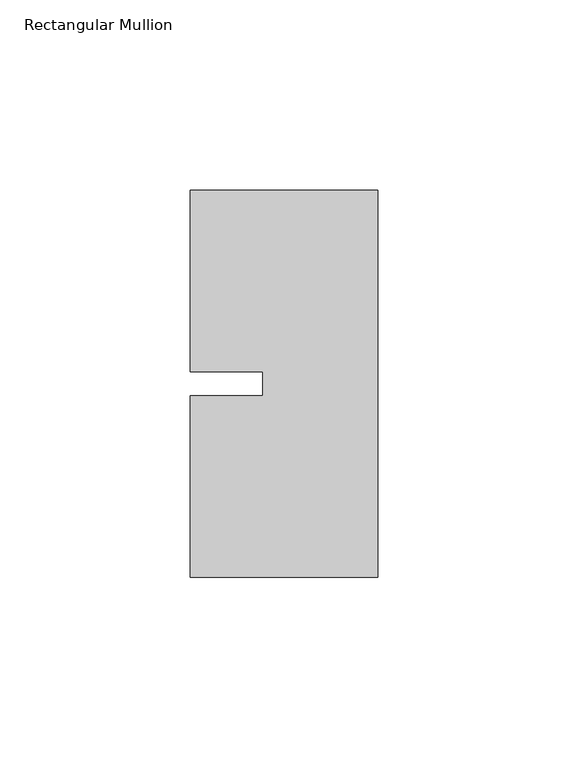
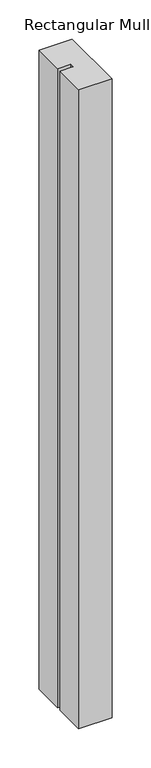
"""IFC4 building model written with IfcOpenShell, lengths in millimetres: member geometry, Rectangular Mullion."""

from ifc_helpers import new_model, si_unit, frame, origin, place, context, project, spatial, polyline, outline, extrude, source, transform, mapped, element, save


def rectangular_mullion_6e8e4d48(model_context):
    return source(origin(), model_context, "Body", "SweptSolid", [
        extrude(outline(polyline([(-49.2125, 50.8), (0.0, 50.8), (0.0, -50.8), (-49.2125, -50.8), (-49.2125, -3.175), (-30.1625, -3.175), (-30.1625, 3.175), (-49.2125, 3.175), (-49.2125, 50.8)])), frame((0.0, 0.0, -998.1094027), z_axis=(0.0, 0.0, 1.0), x_axis=(1.0, 0.0, 0.0)), (0.0, 0.0, 1.0), 998.1094027),
    ])


if __name__ == "__main__":
    model = new_model("IFC4")
    model_context = context("Model", 3, world=origin())
    ifc_project = project(units=[si_unit("LENGTHUNIT", "METRE", prefix="MILLI")], contexts=[model_context])
    site = spatial("IfcSite", under=ifc_project)
    building = spatial("IfcBuilding", under=site)
    placement = place(None, origin())
    rectangular_mullion_shape = rectangular_mullion_6e8e4d48(model_context)
    element("IfcMember", 1, ObjectType="Rectangular Mullion", at=placement, inside=building, context=model_context, shape_type="MappedRepresentation", body=[
        mapped(rectangular_mullion_shape, transform((0.0, 0.0, 0.0), x_axis=(1.0, 0.0, 0.0), y_axis=(0.0, 1.0, 0.0), z_axis=(0.0, 0.0, 1.0))),
    ])
    save(model, "model.ifc")
